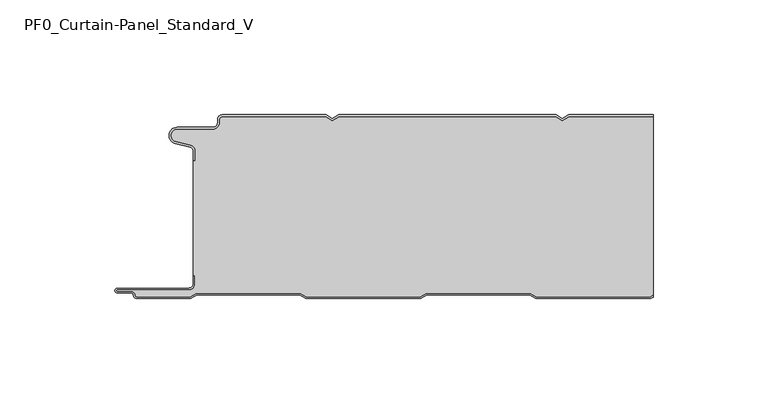
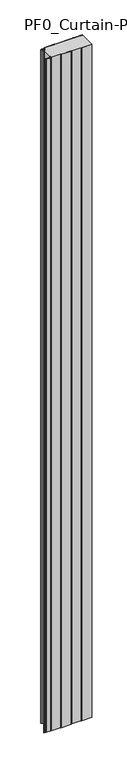
"""IFC4 building model written with IfcOpenShell, lengths in millimetres: plate geometry, PF0_Curtain-Panel_Standard_V."""

from ifc_helpers import new_model, si_unit, point, frame_2d, origin, origin_with_axes, place, context, project, spatial, polyline, circle_curve, trimmed, segment, composite_curve, outline, extrude, source, transform, mapped, element, save


def pf0_curtain_panel_standard_v_c64f8f56(model_context):
    return source(origin(), model_context, "Body", "SweptSolid", [
        extrude(outline(composite_curve([segment(trimmed(circle_curve(frame_2d((-102.0, -15.878557)), 2.0), [point((-100.0, -15.878557))], [point((-101.5500978, -13.9298169))], True, "CARTESIAN"), True, "CONTINUOUS"), segment(polyline([(-101.5500978, -13.9298169), (-107.7098239, -12.507732)]), True, "CONTINUOUS"), segment(trimmed(circle_curve(frame_2d((-106.9, -9.0)), 3.6), [point((-107.7098239, -12.507732))], [point((-106.9, -5.4))], False, "CARTESIAN"), True, "CONTINUOUS"), segment(polyline([(-106.9, -5.4), (-91.4, -5.4)]), True, "CONTINUOUS"), segment(trimmed(circle_curve(frame_2d((-91.4, -3.4)), 2.0), [point((-91.4, -5.4))], [point((-89.4, -3.4))], True, "CARTESIAN"), True, "CONTINUOUS"), segment(polyline([(-89.4, -3.4), (-89.4, -2.0)]), True, "CONTINUOUS"), segment(trimmed(circle_curve(frame_2d((-87.4, -2.0)), 2.0), [point((-89.4, -2.0))], [point((-87.4, 0.0))], False, "CARTESIAN"), True, "CONTINUOUS"), segment(polyline([(-87.4, 0.0), (-42.0999995, 0.0), (-39.4, -1.5588455), (-36.7000005, 0.0), (57.9000005, 0.0), (60.6, -1.5588455), (63.2999995, 0.0), (100.0, 0.0), (100.0, -0.8), (63.5143588, -0.8), (60.6, -2.482606), (57.6856412, -0.8), (-36.4856412, -0.8), (-39.4, -2.482606), (-42.3143588, -0.8), (-87.4, -0.8)]), True, "CONTINUOUS"), segment(trimmed(circle_curve(frame_2d((-87.4, -2.0)), 1.2), [point((-87.4, -0.8))], [point((-88.6, -2.0))], True, "CARTESIAN"), True, "CONTINUOUS"), segment(polyline([(-88.6, -2.0), (-88.6, -3.4)]), True, "CONTINUOUS"), segment(trimmed(circle_curve(frame_2d((-91.4, -3.4)), 2.8), [point((-88.6, -3.4))], [point((-91.4, -6.2))], False, "CARTESIAN"), True, "CONTINUOUS"), segment(polyline([(-91.4, -6.2), (-106.9, -6.2)]), True, "CONTINUOUS"), segment(trimmed(circle_curve(frame_2d((-106.9, -9.0)), 2.8), [point((-106.9, -6.2))], [point((-107.529863, -11.7282362))], True, "CARTESIAN"), True, "CONTINUOUS"), segment(polyline([(-107.529863, -11.7282362), (-101.370137, -13.150321)]), True, "CONTINUOUS"), segment(trimmed(circle_curve(frame_2d((-102.0, -15.878557)), 2.8), [point((-101.370137, -13.150321))], [point((-99.2, -15.878557))], False, "CARTESIAN"), True, "CONTINUOUS"), segment(polyline([(-99.2, -15.878557), (-99.2, -20.0), (-100.0, -20.0), (-100.0, -15.878557)]), True, "CONTINUOUS")], self_intersect=False)), origin_with_axes(), (0.0, 0.0, 1.0), 3500.0),
        extrude(outline(composite_curve([segment(polyline([(-99.2, -70.0), (-100.0, -70.0), (-100.0, -20.0), (-99.2, -20.0), (-99.2, -15.878557)]), True, "CONTINUOUS"), segment(trimmed(circle_curve(frame_2d((-102.0, -15.878557)), 2.8), [point((-99.2, -15.878557))], [point((-101.370137, -13.1503208))], True, "CARTESIAN"), True, "CONTINUOUS"), segment(polyline([(-101.370137, -13.1503208), (-107.529863, -11.7282362)]), True, "CONTINUOUS"), segment(trimmed(circle_curve(frame_2d((-106.9, -9.0)), 2.8), [point((-107.529863, -11.7282362))], [point((-106.9, -6.2))], False, "CARTESIAN"), True, "CONTINUOUS"), segment(polyline([(-106.9, -6.2), (-91.4, -6.2)]), True, "CONTINUOUS"), segment(trimmed(circle_curve(frame_2d((-91.4, -3.4)), 2.8), [point((-91.4, -6.2))], [point((-88.6, -3.4))], True, "CARTESIAN"), True, "CONTINUOUS"), segment(polyline([(-88.6, -3.4), (-88.6, -2.0)]), True, "CONTINUOUS"), segment(trimmed(circle_curve(frame_2d((-87.4, -2.0)), 1.2), [point((-88.6, -2.0))], [point((-87.4, -0.8))], False, "CARTESIAN"), True, "CONTINUOUS"), segment(polyline([(-87.4, -0.8), (-42.3143588, -0.8), (-39.4, -2.482606), (-36.4856412, -0.8), (57.6856412, -0.8), (60.6, -2.482606), (63.5143588, -0.8), (100.0, -0.8), (100.0, -78.5016287), (98.7903848, -79.2), (49.2152562, -79.2), (46.6171786, -77.7), (1.3884624, -77.7), (-1.2096152, -79.2), (-50.7847438, -79.2), (-53.3828214, -77.7), (-98.6115376, -77.7), (-101.2096152, -79.2), (-124.4, -79.2)]), True, "CONTINUOUS"), segment(trimmed(circle_curve(frame_2d((-124.4, -78.4)), 0.8), [point((-124.4, -79.2))], [point((-125.2, -78.4))], False, "CARTESIAN"), True, "CONTINUOUS"), segment(trimmed(circle_curve(frame_2d((-126.9, -78.6133333)), 1.7133333), [point((-125.2, -78.4))], [point((-126.9, -76.9))], True, "CARTESIAN"), True, "CONTINUOUS"), segment(polyline([(-126.9, -76.9), (-132.8700312, -76.9)]), True, "CONTINUOUS"), segment(trimmed(circle_curve(frame_2d((-132.8700312, -76.6)), 0.3), [point((-132.8700312, -76.9))], [point((-132.8700312, -76.3))], False, "CARTESIAN"), True, "CONTINUOUS"), segment(polyline([(-132.8700312, -76.3), (-102.0, -76.3)]), True, "CONTINUOUS"), segment(trimmed(circle_curve(frame_2d((-102.0, -73.5)), 2.8), [point((-102.0, -76.3))], [point((-99.2, -73.5))], True, "CARTESIAN"), True, "CONTINUOUS"), segment(polyline([(-99.2, -73.5), (-99.2, -70.0)]), True, "CONTINUOUS")], self_intersect=False)), origin_with_axes(), (0.0, 0.0, 1.0), 3500.0),
        extrude(outline(composite_curve([segment(polyline([(-100.0, -70.0), (-99.2, -70.0), (-99.2, -73.5)]), True, "CONTINUOUS"), segment(trimmed(circle_curve(frame_2d((-102.0, -73.5)), 2.8), [point((-99.2, -73.5))], [point((-102.0, -76.3))], False, "CARTESIAN"), True, "CONTINUOUS"), segment(polyline([(-102.0, -76.3), (-132.8700312, -76.3)]), True, "CONTINUOUS"), segment(trimmed(circle_curve(frame_2d((-132.8700312, -76.6)), 0.3), [point((-132.8700312, -76.3))], [point((-132.8700312, -76.9))], True, "CARTESIAN"), True, "CONTINUOUS"), segment(polyline([(-132.8700312, -76.9), (-126.9, -76.9)]), True, "CONTINUOUS"), segment(trimmed(circle_curve(frame_2d((-126.9, -78.6133333)), 1.7133333), [point((-126.9, -76.9))], [point((-125.2, -78.4))], False, "CARTESIAN"), True, "CONTINUOUS"), segment(trimmed(circle_curve(frame_2d((-124.4, -78.4)), 0.8), [point((-125.2, -78.4))], [point((-124.4, -79.2))], True, "CARTESIAN"), True, "CONTINUOUS"), segment(polyline([(-124.4, -79.2), (-101.2096152, -79.2), (-98.6115376, -77.7), (-53.3828214, -77.7), (-50.7847438, -79.2), (-1.2096152, -79.2), (1.3884624, -77.7), (46.6171786, -77.7), (49.2152562, -79.2), (98.7903848, -79.2), (100.0, -78.5016287), (100.0, -79.425389), (99.0047441, -80.0), (49.0008969, -80.0), (46.4028193, -78.5), (1.6028217, -78.5), (-0.9952559, -80.0), (-50.9991031, -80.0), (-53.5971807, -78.5), (-98.3971783, -78.5), (-100.9952559, -80.0), (-124.4, -80.0)]), True, "CONTINUOUS"), segment(trimmed(circle_curve(frame_2d((-124.4, -78.4)), 1.6), [point((-124.4, -80.0))], [point((-126.0, -78.4))], False, "CARTESIAN"), True, "CONTINUOUS"), segment(trimmed(circle_curve(frame_2d((-126.9, -78.4)), 0.9), [point((-126.0, -78.4))], [point((-126.9, -77.5))], True, "CARTESIAN"), True, "CONTINUOUS"), segment(polyline([(-126.9, -77.5), (-133.0, -77.5)]), True, "CONTINUOUS"), segment(trimmed(circle_curve(frame_2d((-133.0, -76.5)), 1.0), [point((-133.0, -77.5))], [point((-133.0, -75.5))], False, "CARTESIAN"), True, "CONTINUOUS"), segment(polyline([(-133.0, -75.5), (-102.0, -75.5)]), True, "CONTINUOUS"), segment(trimmed(circle_curve(frame_2d((-102.0, -73.5)), 2.0), [point((-102.0, -75.5))], [point((-100.0, -73.5))], True, "CARTESIAN"), True, "CONTINUOUS"), segment(polyline([(-100.0, -73.5), (-100.0, -70.0)]), True, "CONTINUOUS")], self_intersect=False)), origin_with_axes(), (0.0, 0.0, 1.0), 3500.0),
    ])


if __name__ == "__main__":
    model = new_model("IFC4")
    model_context = context("Model", 3, world=origin())
    ifc_project = project(units=[si_unit("LENGTHUNIT", "METRE", prefix="MILLI")], contexts=[model_context])
    site = spatial("IfcSite", under=ifc_project)
    building = spatial("IfcBuilding", under=site)
    placement = place(None, origin())
    pf0_curtain_panel_standard_v_shape = pf0_curtain_panel_standard_v_c64f8f56(model_context)
    element("IfcPlate", 1, ObjectType="PF0_Curtain-Panel_Standard_V", at=placement, inside=building, context=model_context, shape_type="MappedRepresentation", body=[
        mapped(pf0_curtain_panel_standard_v_shape, transform((0.0, 0.0, 0.0), x_axis=(1.0, 0.0, 0.0), y_axis=(0.0, 1.0, 0.0), z_axis=(0.0, 0.0, 1.0))),
    ])
    save(model, "model.ifc")
